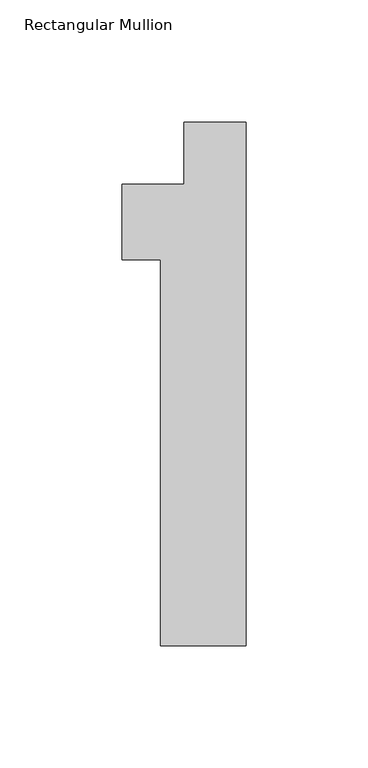
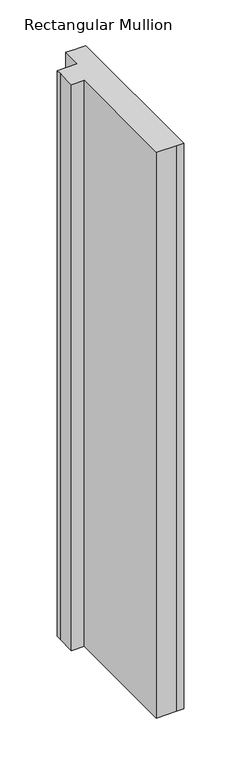
"""IFC4 building model written with IfcOpenShell, lengths in millimetres: member geometry, Rectangular Mullion."""

from ifc_helpers import new_model, si_unit, frame, origin, place, context, project, spatial, polyline, outline, extrude, source, transform, mapped, element, save


def rectangular_mullion_040e7ba0(model_context):
    return source(origin(), model_context, "Body", "SweptSolid", [
        extrude(outline(polyline([(-9.525, 0.0), (0.0, 0.0), (0.0, -214.376), (-9.525, -214.376), (-34.925, -214.376), (-34.925, -56.388), (-50.8, -56.388), (-50.8, -31.75), (-50.8, -25.4), (-25.4000001, -25.4), (-25.4000001, 0.0), (-12.7, 0.0), (-9.525, 0.0)])), frame((0.0, 0.0, -755.65), z_axis=(0.0, 0.0, 1.0), x_axis=(1.0, 0.0, 0.0)), (0.0, 0.0, 1.0), 755.65),
    ])


if __name__ == "__main__":
    model = new_model("IFC4")
    model_context = context("Model", 3, world=origin())
    ifc_project = project(units=[si_unit("LENGTHUNIT", "METRE", prefix="MILLI")], contexts=[model_context])
    site = spatial("IfcSite", under=ifc_project)
    building = spatial("IfcBuilding", under=site)
    placement = place(None, origin())
    rectangular_mullion_shape = rectangular_mullion_040e7ba0(model_context)
    element("IfcMember", 1, ObjectType="Rectangular Mullion", at=placement, inside=building, context=model_context, shape_type="MappedRepresentation", body=[
        mapped(rectangular_mullion_shape, transform((0.0, 0.0, 0.0), x_axis=(1.0, 0.0, 0.0), y_axis=(0.0, 1.0, 0.0), z_axis=(0.0, 0.0, 1.0))),
    ])
    save(model, "model.ifc")
